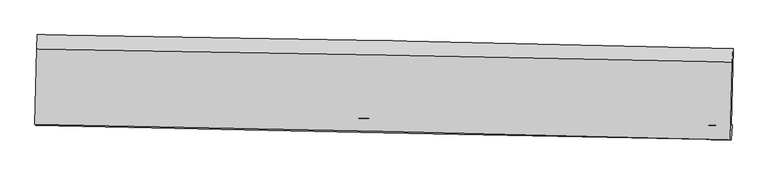
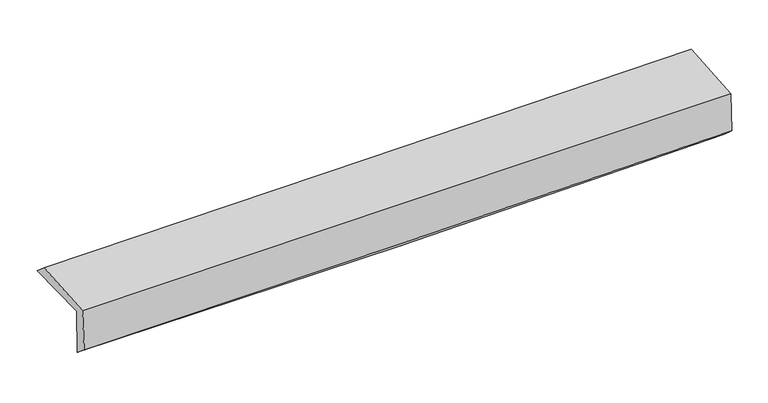
"""IFC4 building model written with IfcOpenShell, lengths in millimetres: proxy geometry."""

from ifc_helpers import new_model, si_unit, frame, origin, place, context, project, spatial, source, transform, mapped, element, save
from ifc_brep_helpers import plane_surface, spline_curve, spline_surface, advanced_brep


def generic_models_41ef920b(model_context):
    return source(origin(), model_context, "Body", "AdvancedBrep", [
        advanced_brep(
        [(-3026.6453058, -1759.0528287, 1996.1483499), (-3008.7010761, -1087.6765639, 1988.1103873), (3016.5765264, -1209.0458585, 2127.3436186), (2998.9458853, -1875.9105397, 2126.4838033), (-3017.4732462, -1753.0021067, 1583.2095319), (3008.1193099, -1869.5162158, 1713.8991351), (-3022.9708413, -1876.2115642, 1685.6984109), (3002.1670931, -1999.1527396, 1829.4251808), (-3031.0006445, -1865.0659432, 2067.1517948), (2994.0988188, -1999.4156871, 2198.8059574), (-3014.3285681, -1212.6796275, 2094.3761779), (3011.4154965, -1322.5011803, 2226.2396474)],
        [
            (0, 1),
            (1, 2, spline_curve(3, [(-3008.7010761, -1087.6765639, 1988.1103873), (-2004.114551037, -1100.809235021, 2002.521309408), (-999.711759336, -1117.489761956, 2021.329637232), (1008.714103727, -1157.946280194, 2067.740821785), (2012.7371793, -1181.722184666, 2095.343570939), (3016.5765264, -1209.0458585, 2127.3436186)], [4, 2, 4], [0.0, 9.889121137888134, 19.77812159760703])),
            (2, 3),
            (3, 0, spline_curve(3, [(2998.9458853, -1875.9105397, 2126.4838033), (1995.254832662, -1854.487584314, 2080.532776381), (991.279772365, -1834.038017377, 2046.695967481), (-1017.250617412, -1795.08542355, 2003.250520832), (-2021.805954477, -1776.58241998, 1993.642178608), (-3026.6453058, -1759.0528287, 1996.1483499)], [4, 2, 4], [0.0, 9.889000459718895, 19.77812159760703])),
            (4, 0),
            (3, 5),
            (5, 4, spline_curve(3, [(3008.1193099, -1869.5162158, 1713.8991351), (2004.278619061, -1848.043794149, 1674.864734426), (1000.228625448, -1827.598127407, 1644.456748035), (-1008.302221498, -1788.760065818, 1600.893336159), (-2012.78308004, -1770.367696525, 1587.738121918), (-3017.4732462, -1753.0021067, 1583.2095319)], [4, 2, 4], [0.0, 9.889226132347332, 19.778572945617846])),
            (6, 4),
            (5, 7),
            (7, 6, spline_curve(3, [(3002.1670931, -1999.1527396, 1829.4251808), (1998.059514081, -1979.703854489, 1800.165982139), (993.913960449, -1959.734379879, 1773.559208951), (-1014.465350175, -1918.754000475, 1725.650220927), (-2018.699108109, -1897.743083724, 1704.348070919), (-3022.9708413, -1876.2115642, 1685.6984109)], [4, 2, 4], [0.0, 9.888737501390576, 19.777595677741438])),
            (8, 6),
            (7, 9),
            (9, 8, spline_curve(3, [(2994.0988188, -1999.4156871, 2198.8059574), (1990.010475379, -1974.262529389, 2175.583050129), (985.877745336, -1950.490198194, 2153.000479397), (-1022.488741383, -1905.706916756, 2109.115743036), (-2026.72249913, -1884.695999604, 2087.813592771), (-3031.0006445, -1865.0659432, 2067.1517948)], [4, 2, 4], [0.0, 9.888513910847712, 19.77714849392717])),
            (10, 8),
            (9, 11),
            (11, 10, spline_curve(3, [(3011.4154965, -1322.5011803, 2226.2396474), (2007.181044222, -1302.947801555, 2202.920679372), (1002.92154347, -1284.019367988, 2180.272636239), (-1005.659810829, -1247.412168249, 2136.318129768), (-2009.981664809, -1229.73341775, 2115.011683488), (-3014.3285681, -1212.6796275, 2094.3761779)], [4, 2, 4], [0.0, 9.888559803024448, 19.77724027884068])),
            (1, 10),
            (11, 2),
        ],
        [
            spline_surface(3, 3, [[(-3026.6453058, -1759.0528287, 1996.1483499), (-2021.805954508, -1776.582419917, 1993.642178447), (-1017.250617574, -1795.085423413, 2003.250520767), (991.279772527, -1834.038017514, 2046.695967547), (1995.254832628, -1854.487584329, 2080.532776404), (2998.9458853, -1875.9105397, 2126.4838033)], [(-3020.6638959, -1535.260740438, 1993.469029018), (-2015.908820055, -1551.324691668, 1996.601888743), (-1011.404331487, -1569.220202936, 2009.276892964), (997.091216256, -1608.674105045, 2053.710918964), (2001.082281549, -1630.232451151, 2085.469707921), (3004.822765679, -1653.622312627, 2126.770408422)], [(-3014.682486, -1311.468652162, 1990.789708182), (-2010.011685603, -1326.066963404, 1999.561599086), (-1005.558045405, -1343.35498249, 2015.303265091), (1002.90265998, -1383.310192606, 2060.725870311), (2006.909730434, -1405.977317989, 2090.406639371), (3010.699646021, -1431.334085573, 2127.057013478)], [(-3008.7010761, -1087.6765639, 1988.1103873), (-2004.114551149, -1100.809235155, 2002.521309381), (-999.711759318, -1117.489762014, 2021.329637289), (1008.714103709, -1157.946280137, 2067.740821729), (2012.737179356, -1181.722184811, 2095.343570888), (3016.5765264, -1209.0458585, 2127.3436186)]], [4, 4], [4, 2, 4], [0.0, 2.222283768606813], [0.0, 9.889121137888134, 19.77812159760703]),
            spline_surface(3, 3, [[(-3017.4732462, -1753.0021067, 1583.2095319), (-2012.783080067, -1770.367696415, 1587.738121928), (-1008.302221476, -1788.760065907, 1600.893336282), (1000.228625426, -1827.598127318, 1644.456747912), (2004.278618913, -1848.043794223, 1674.864734582), (3008.1193099, -1869.5162158, 1713.8991351)], [(-3020.530599413, -1755.019014017, 1720.855804587), (-2015.790704894, -1772.439270899, 1723.039474121), (-1011.285020176, -1790.868518424, 1735.012397764), (997.245674459, -1829.744757399, 1778.536487778), (2001.27069016, -1850.191724269, 1810.087415167), (3005.061501709, -1871.64765711, 1851.427357811)], [(-3023.587952587, -1757.035921383, 1858.502077213), (-2018.798329682, -1774.510845432, 1858.340826254), (-1014.267818874, -1792.976970896, 1869.131459284), (994.262723494, -1831.891387434, 1912.616227681), (1998.26276138, -1852.339654284, 1945.310095819), (3002.003693491, -1873.77909839, 1988.955580589)], [(-3026.6453058, -1759.0528287, 1996.1483499), (-2021.805954508, -1776.582419917, 1993.642178447), (-1017.250617574, -1795.085423413, 2003.250520767), (991.279772527, -1834.038017514, 2046.695967547), (1995.254832628, -1854.487584329, 2080.532776404), (2998.9458853, -1875.9105397, 2126.4838033)]], [4, 4], [4, 2, 4], [0.0, 1.3203685423281584], [0.0, 9.889346813270514, 19.778572945617846]),
            spline_surface(3, 3, [[(-3022.9708413, -1876.2115642, 1685.6984109), (-2018.699107975, -1897.743083614, 1704.348070911), (-1014.46535013, -1918.754000633, 1725.65022092), (993.913960404, -1959.734379721, 1773.559208958), (1998.059514038, -1979.703854514, 1800.165982247), (3002.1670931, -1999.1527396, 1829.4251808)], [(-3021.138309592, -1835.141745036, 1651.535451239), (-2016.727098665, -1855.284621217, 1665.478087923), (-1012.410973911, -1875.422689056, 1684.064592691), (996.018848746, -1915.688962252, 1730.52505526), (2000.132548987, -1935.817167743, 1758.398899718), (3004.151165358, -1955.940564992, 1790.916498926)], [(-3019.305777908, -1794.071925864, 1617.372491561), (-2014.755089377, -1812.826158812, 1626.608104916), (-1010.356597695, -1832.091377484, 1642.478964511), (998.123737085, -1871.643544787, 1687.49090161), (2002.205583963, -1891.930480995, 1716.631817111), (3006.135237642, -1912.728390408, 1752.407816974)], [(-3017.4732462, -1753.0021067, 1583.2095319), (-2012.783080067, -1770.367696415, 1587.738121928), (-1008.302221476, -1788.760065907, 1600.893336282), (1000.228625426, -1827.598127318, 1644.456747912), (2004.278618913, -1848.043794223, 1674.864734582), (3008.1193099, -1869.5162158, 1713.8991351)]], [4, 4], [4, 2, 4], [0.0, 0.5989497778910294], [0.0, 9.888858176350862, 19.777595677741438]),
            spline_surface(3, 3, [[(-3031.0006445, -1865.0659432, 2067.1517948), (-2026.72249921, -1884.695999712, 2087.813592854), (-1022.488741365, -1905.706916631, 2109.115742963), (985.877745318, -1950.49019832, 2153.00047947), (1990.010475241, -1974.262529325, 2175.583050203), (2994.0988188, -1999.4156871, 2198.8059574)], [(-3028.324043432, -1868.781150217, 1940.000666817), (-2024.048035463, -1889.045027697, 1959.99175219), (-1019.814277618, -1910.055944615, 1981.293902299), (988.556483681, -1953.571592104, 2026.520055983), (1992.69348817, -1976.076304379, 2050.444027523), (2996.788243563, -1999.328037924, 2075.679031839)], [(-3025.647442368, -1872.496357183, 1812.849538883), (-2021.373571721, -1893.394055629, 1832.169911575), (-1017.139813876, -1914.404972648, 1853.472061584), (991.235222041, -1956.652985937, 1900.039632445), (1995.376501109, -1977.89007946, 1925.305004927), (2999.477668337, -1999.240388776, 1952.552106361)], [(-3022.9708413, -1876.2115642, 1685.6984109), (-2018.699107975, -1897.743083614, 1704.348070911), (-1014.46535013, -1918.754000633, 1725.65022092), (993.913960404, -1959.734379721, 1773.559208958), (1998.059514038, -1979.703854514, 1800.165982247), (3002.1670931, -1999.1527396, 1829.4251808)]], [4, 4], [4, 2, 4], [0.0, 1.252298846810958], [0.0, 9.88863458307946, 19.77714849392717]),
            spline_surface(3, 3, [[(-3014.3285681, -1212.6796275, 2094.3761779), (-2009.981664901, -1229.733417602, 2115.011683482), (-1005.659810805, -1247.412168361, 2136.3181299), (1002.921543447, -1284.019367877, 2180.272636107), (2007.181044224, -1302.947801392, 2202.920679525), (3011.4154965, -1322.5011803, 2226.2396474)], [(-3019.885926916, -1430.14173272, 2085.301383542), (-2015.56194302, -1448.054278293, 2105.945653281), (-1011.269454315, -1466.843751124, 2127.2506676), (997.240277414, -1506.176311365, 2171.181917241), (2001.457521217, -1526.719377382, 2193.808136439), (3005.643270587, -1548.139349245, 2217.095084088)], [(-3025.443285684, -1647.60383798, 2076.226589158), (-2021.142221091, -1666.375139022, 2096.879623055), (-1016.879097855, -1686.275333867, 2118.183205262), (991.559011351, -1728.333254832, 2162.091198336), (1995.733998249, -1750.490953336, 2184.695593289), (2999.871044713, -1773.777518155, 2207.950520712)], [(-3031.0006445, -1865.0659432, 2067.1517948), (-2026.72249921, -1884.695999712, 2087.813592854), (-1022.488741365, -1905.706916631, 2109.115742963), (985.877745318, -1950.49019832, 2153.00047947), (1990.010475241, -1974.262529325, 2175.583050203), (2994.0988188, -1999.4156871, 2198.8059574)]], [4, 4], [4, 2, 4], [0.0, 2.1757178697793584], [0.0, 9.888680475816232, 19.77724027884068]),
            spline_surface(3, 3, [[(-3008.7010761, -1087.6765639, 1988.1103873), (-2004.114551149, -1100.809235155, 2002.521309381), (-999.711759318, -1117.489762014, 2021.329637289), (1008.714103709, -1157.946280137, 2067.740821729), (2012.737179356, -1181.722184811, 2095.343570888), (3016.5765264, -1209.0458585, 2127.3436186)], [(-3010.576906748, -1129.344251772, 2023.532317498), (-2006.070255714, -1143.783962642, 2040.018100746), (-1001.694443161, -1160.797230801, 2059.659134802), (1006.783250274, -1199.970642722, 2105.251426497), (2010.885134316, -1222.130723672, 2131.20260708), (3014.856183104, -1246.864299101, 2160.308961513)], [(-3012.452737452, -1171.011939628, 2058.954247702), (-2008.025960336, -1186.758690115, 2077.514892117), (-1003.677126962, -1204.104699573, 2097.988632387), (1004.852396881, -1241.995005292, 2142.762031339), (2009.033089264, -1262.539262531, 2167.061643332), (3013.135839796, -1284.682739699, 2193.274304487)], [(-3014.3285681, -1212.6796275, 2094.3761779), (-2009.981664901, -1229.733417602, 2115.011683482), (-1005.659810805, -1247.412168361, 2136.3181299), (1002.921543447, -1284.019367877, 2180.272636107), (2007.181044224, -1302.947801392, 2202.920679525), (3011.4154965, -1322.5011803, 2226.2396474)]], [4, 4], [4, 2, 4], [0.0, 0.5621570116310894], [0.0, 9.888809838162658, 19.777499001954908]),
            plane_surface(frame((3005.2205217, -1712.5903702, 2037.0328904), z_axis=(0.999412147163908, -0.026450689122290965, 0.02181103267117166), x_axis=(0.021837487879382087, 0.0007116904122521071, -0.9997612803163938))),
            plane_surface(frame((-3020.1866137, -1592.281439, 1902.4491088), z_axis=(-0.999412147163756, 0.02645068912973326, -0.021811032669116177), x_axis=(-0.026716075946682814, -0.9995714264440408, 0.0119672353798491))),
        ],
        [
            (0, [[1, 2, 3, 4]]),
            (1, [[5, -4, 6, 7]]),
            (2, [[8, -7, 9, 10]]),
            (3, [[11, -10, 12, 13]]),
            (4, [[14, -13, 15, 16]]),
            (5, [[17, -16, 18, -2]]),
            (6, [[-12, -9, -6, -3, -18, -15]]),
            (7, [[-1, -5, -8, -11, -14, -17]]),
        ],
    ),
    ])


if __name__ == "__main__":
    model = new_model("IFC4")
    model_context = context("Model", 3, world=origin())
    ifc_project = project(units=[si_unit("LENGTHUNIT", "METRE", prefix="MILLI")], contexts=[model_context])
    site = spatial("IfcSite", under=ifc_project)
    building = spatial("IfcBuilding", under=site)
    placement = place(None, origin())
    generic_models_shape = generic_models_41ef920b(model_context)
    element("IfcBuildingElementProxy", 1, Name="Generic Models", at=placement, inside=building, context=model_context, shape_type="MappedRepresentation", body=[
        mapped(generic_models_shape, transform((0.0, 0.0, 0.0), x_axis=(1.0, 0.0, 0.0), y_axis=(0.0, 1.0, 0.0), z_axis=(0.0, 0.0, 1.0))),
    ])
    save(model, "model.ifc")
